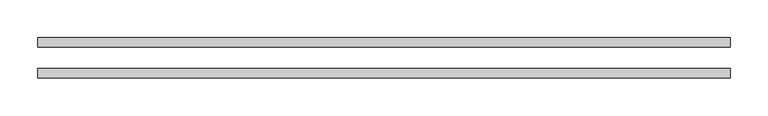
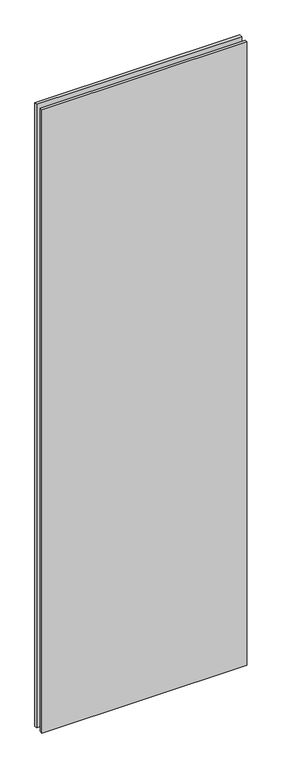
"""IFC4 building model written with IfcOpenShell, lengths in millimetres: plate geometry."""

from ifc_helpers import new_model, si_unit, origin, origin_with_axes, place, context, project, spatial, polyline, outline, extrude, source, transform, mapped, element, save


def plate_21b68d7c(model_context):
    return source(origin(), model_context, "Body", "SweptSolid", [
        extrude(outline(polyline([(462.75625, -26.9875), (-459.58125, -26.9875), (-459.58125, -14.2875), (462.75625, -14.2875), (462.75625, -26.9875)])), origin_with_axes(), (0.0, 0.0, 1.0), 2965.45),
        extrude(outline(polyline([(462.75625, 26.9875), (462.75625, 14.2875), (-459.58125, 14.2875), (-459.58125, 26.9875), (462.75625, 26.9875)])), origin_with_axes(), (0.0, 0.0, 1.0), 2965.45),
    ])


if __name__ == "__main__":
    model = new_model("IFC4")
    model_context = context("Model", 3, world=origin())
    ifc_project = project(units=[si_unit("LENGTHUNIT", "METRE", prefix="MILLI")], contexts=[model_context])
    site = spatial("IfcSite", under=ifc_project)
    building = spatial("IfcBuilding", under=site)
    placement = place(None, origin())
    plate_shape = plate_21b68d7c(model_context)
    element("IfcPlate", 1, at=placement, inside=building, context=model_context, shape_type="MappedRepresentation", body=[
        mapped(plate_shape, transform((0.0, 0.0, 0.0), x_axis=(1.0, 0.0, 0.0), y_axis=(0.0, 1.0, 0.0), z_axis=(0.0, 0.0, 1.0))),
    ])
    save(model, "model.ifc")
